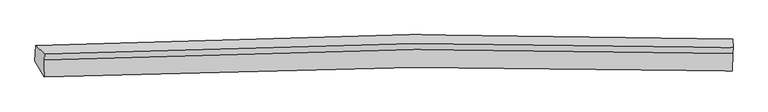
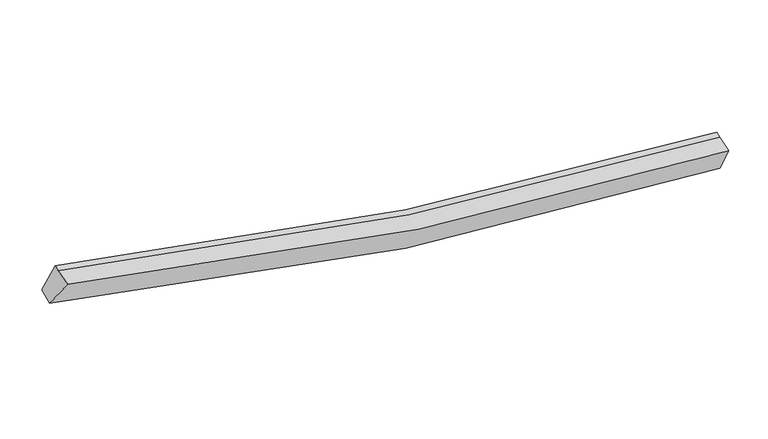
"""IFC4 building model written with IfcOpenShell, lengths in millimetres: proxy geometry."""

from ifc_helpers import new_model, si_unit, frame, origin, place, context, project, spatial, source, transform, mapped, element, save
from ifc_brep_helpers import plane_surface, spline_curve, spline_surface, advanced_brep


def generic_models_3d020308(model_context):
    return source(origin(), model_context, "Body", "AdvancedBrep", [
        advanced_brep(
        [(-7359.0596725, -2560.9349134, 4578.3803905), (-7564.8861505, -2204.8072985, 3963.2311542), (7971.8724652, -2061.2061194, 1731.0594416), (7973.4214321, -2419.734872, 2378.4038123), (-7352.1941389, -2176.073556, 4668.8547261), (7985.8868758, -2034.8076916, 2467.9955746), (-7347.7082024, -2041.5451114, 4707.3511412), (7990.3728122, -1900.2792471, 2506.4919898), (-7548.3157871, -1855.1790778, 4079.4583968), (7983.8339187, -1711.6320731, 1848.0130709)],
        [
            (0, 1),
            (1, 2, spline_curve(3, [(-7564.8861505, -2204.8072985, 3963.2311542), (-4808.630478459, -2074.099983348, 3200.033884221), (-2027.863352865, -2000.092065844, 2631.956766068), (3157.917253887, -1968.09589024, 1942.516146893), (5556.069667164, -1994.236748131, 1766.536027244), (7971.8724652, -2061.2061194, 1731.0594416)], [4, 2, 4], [0.0, 27.73678410937483, 51.27365182980036])),
            (2, 3),
            (3, 0, spline_curve(3, [(7973.4214321, -2419.734872, 2378.4038123), (5582.012481491, -2353.70560481, 2414.323074644), (3211.404617972, -2327.904644667, 2588.281260067), (-1907.50822827, -2359.333752482, 3267.948211952), (-4647.727399297, -2432.201393109, 3827.315552318), (-7359.0596725, -2560.9349134, 4578.3803905)], [4, 2, 4], [0.0, 23.536867720425526, 51.27365182980036])),
            (4, 0),
            (3, 5),
            (5, 4, spline_curve(3, [(7985.8868758, -2034.8076916, 2467.9955746), (5595.635385821, -1963.282378527, 2518.187307057), (3225.26031694, -1934.512923462, 2699.92826178), (-1895.159729716, -1964.981462808, 3382.412086308), (-4637.478331791, -2040.839539094, 3934.290847878), (-7352.1941389, -2176.073556, 4668.8547261)], [4, 2, 4], [0.0, 23.396323737569144, 50.967485209443396])),
            (6, 4),
            (5, 7),
            (7, 6, spline_curve(3, [(7990.3728122, -1900.2792471, 2506.4919898), (5600.220043271, -1825.793380142, 2557.530908714), (3229.898378542, -1795.422396285, 2739.730154402), (-1890.504051292, -1825.362653667, 3422.36515063), (-4632.876057798, -1902.822258798, 3973.785622155), (-7347.7082024, -2041.5451114, 4707.3511412)], [4, 2, 4], [0.0, 23.39819400716984, 50.971559479370605])),
            (8, 6),
            (7, 9),
            (9, 8, spline_curve(3, [(7983.8339187, -1711.6320731, 1848.0130709), (5568.976381118, -1632.841697023, 1886.888391252), (3171.659043965, -1600.302391192, 2064.656054479), (-2012.542428646, -1630.172648966, 2754.480847879), (-4792.608326999, -1710.560955372, 3320.528292794), (-7548.3157871, -1855.1790778, 4079.4583968)], [4, 2, 4], [0.0, 23.535707345266896, 51.27112402225255])),
            (1, 8),
            (9, 2),
        ],
        [
            spline_surface(3, 3, [[(-7359.0596725, -2560.9349134, 4578.3803905), (-4647.727399423, -2432.201393543, 3827.315552598), (-1907.508228131, -2359.333752873, 3267.948212142), (3211.404617854, -2327.904644335, 2588.281259906), (5582.012481456, -2353.705604527, 2414.323074305), (7973.4214321, -2419.734872, 2378.4038123)], [(-7427.668498516, -2442.225708433, 4373.330645088), (-4701.361759087, -2312.834256739, 3618.221663056), (-1947.62660307, -2239.586523802, 3055.951063434), (3193.575496544, -2207.968393019, 2373.026222287), (5573.364876654, -2233.882652396, 2198.394058695), (7972.905109783, -2300.225287785, 2162.622355412)], [(-7496.277324484, -2323.516503467, 4168.280899612), (-4754.996118704, -2193.467119935, 3409.12777345), (-1987.744977991, -2119.839294735, 2843.953914665), (3175.746375253, -2088.032141709, 2157.771184607), (5564.717271901, -2114.059700309, 1982.465043048), (7972.388787517, -2180.715703615, 1946.840898488)], [(-7564.8861505, -2204.8072985, 3963.2311542), (-4808.630478368, -2074.099983131, 3200.033883909), (-2027.863352931, -2000.092065664, 2631.956765956), (3157.917253943, -1968.095890393, 1942.516146988), (5556.069667099, -1994.236748178, 1766.536027438), (7971.8724652, -2061.2061194, 1731.0594416)]], [4, 4], [4, 2, 4], [0.0, 2.4273563891076884], [0.0, 27.73678410937483, 51.27365182980036]),
            spline_surface(3, 3, [[(-7352.1941389, -2176.073556, 4668.8547261), (-4637.47833191, -2040.839538704, 3934.290848151), (-1895.159729363, -1964.98146235, 3382.412085935), (3225.260316641, -1934.512923851, 2699.928262096), (5595.635385673, -1963.282378718, 2518.187307098), (7985.8868758, -2034.8076916, 2467.9955746)], [(-7354.482650085, -2304.360675131, 4638.69661424), (-4640.894687733, -2171.293490315, 3898.632416307), (-1899.275895627, -2096.432225863, 3344.257461314), (3220.641750371, -2065.643497351, 2662.712594675), (5591.094417608, -2093.42345398, 2483.565896144), (7981.731727907, -2163.116751726, 2438.131653811)], [(-7356.771161315, -2432.647794269, 4608.53850236), (-4644.3110436, -2301.747441933, 3862.973984442), (-1903.392061867, -2227.88298936, 3306.102836764), (3216.023184124, -2196.774070835, 2625.496927326), (5586.553449521, -2223.564529265, 2448.944485259), (7977.576579993, -2291.425811874, 2408.267733089)], [(-7359.0596725, -2560.9349134, 4578.3803905), (-4647.727399423, -2432.201393543, 3827.315552598), (-1907.508228131, -2359.333752873, 3267.948212142), (3211.404617854, -2327.904644335, 2588.281259906), (5582.012481456, -2353.705604527, 2414.323074305), (7973.4214321, -2419.734872, 2378.4038123)]], [4, 4], [4, 2, 4], [0.0, 1.3452088931987036], [0.0, 27.57116147187425, 50.967485209443396]),
            spline_surface(3, 3, [[(-7347.7082024, -2041.5451114, 4707.3511412), (-4632.876057993, -1902.822259203, 3973.785621904), (-1890.504051458, -1825.362653752, 3422.365150375), (3229.898378682, -1795.422396212, 2739.730154618), (5600.220043625, -1825.793380275, 2557.530909032), (7990.3728122, -1900.2792471, 2506.4919898)], [(-7349.203514552, -2086.387926254, 4694.519002823), (-4634.410149284, -1948.828019024, 3960.620697309), (-1892.055944084, -1871.902256607, 3409.047462228), (3228.352358011, -1841.785905414, 2726.46285711), (5598.691824289, -1871.623046443, 2544.416375077), (7988.877500048, -1945.122061954, 2493.659851423)], [(-7350.698826748, -2131.230741146, 4681.686864477), (-4635.944240619, -1994.833778883, 3947.455772746), (-1893.607836737, -1918.441859495, 3395.729774082), (3226.806337312, -1888.149414649, 2713.195559604), (5597.163605009, -1917.45271255, 2531.301841053), (7987.382187952, -1989.964876746, 2480.827712977)], [(-7352.1941389, -2176.073556, 4668.8547261), (-4637.47833191, -2040.839538704, 3934.290848151), (-1895.159729363, -1964.98146235, 3382.412085935), (3225.260316641, -1934.512923851, 2699.928262096), (5595.635385673, -1963.282378718, 2518.187307098), (7985.8868758, -2034.8076916, 2467.9955746)]], [4, 4], [4, 2, 4], [0.0, 0.47583259289187413], [0.0, 27.573365472200763, 50.971559479370605]),
            spline_surface(3, 3, [[(-7548.3157871, -1855.1790778, 4079.4583968), (-4792.608327182, -1710.560955607, 3320.5282931), (-2012.542428733, -1630.172648698, 2754.480847739), (3171.65904404, -1600.30239142, 2064.656054598), (5568.976380875, -1632.841696729, 1886.888391336), (7983.8339187, -1711.6320731, 1848.0130709)], [(-7481.446592224, -1917.301089014, 4288.755978273), (-4739.364237476, -1774.648056819, 3538.280736041), (-1971.862969625, -1695.235983734, 2977.108948624), (3191.072155603, -1665.342393035, 2289.680754611), (5579.390935138, -1697.158924552, 2110.435897236), (7986.013549879, -1774.514464407, 2067.506043868)], [(-7414.577397276, -1979.423100186, 4498.053559727), (-4686.120147699, -1838.73515799, 3756.033178963), (-1931.183510566, -1760.299318716, 3199.73704949), (3210.485267119, -1730.382394597, 2514.705454604), (5589.805489363, -1761.476152452, 2333.983403132), (7988.193181021, -1837.396855793, 2286.999016832)], [(-7347.7082024, -2041.5451114, 4707.3511412), (-4632.876057993, -1902.822259203, 3973.785621904), (-1890.504051458, -1825.362653752, 3422.365150375), (3229.898378682, -1795.422396212, 2739.730154618), (5600.220043625, -1825.793380275, 2557.530909032), (7990.3728122, -1900.2792471, 2506.4919898)]], [4, 4], [4, 2, 4], [0.0, 2.312977503972342], [0.0, 27.735416676985654, 51.27112402225255]),
            spline_surface(3, 3, [[(-7564.8861505, -2204.8072985, 3963.2311542), (-4808.630478368, -2074.099983131, 3200.033883909), (-2027.863352931, -2000.092065664, 2631.956765956), (3157.917253943, -1968.095890393, 1942.516146988), (5556.069667099, -1994.236748178, 1766.536027438), (7971.8724652, -2061.2061194, 1731.0594416)], [(-7559.362696023, -2088.264558268, 4001.973568376), (-4803.289761296, -1952.920307291, 3240.198686949), (-2022.756378209, -1876.785593332, 2672.798126547), (3162.49785063, -1845.498057392, 1983.229449522), (5560.37190504, -1873.771731056, 1806.653482057), (7975.859616382, -1944.681437328, 1770.043984686)], [(-7553.839241577, -1971.721818032, 4040.715982624), (-4797.949044255, -1831.740631446, 3280.36349006), (-2017.649403454, -1753.47912103, 2713.639487148), (3167.078447352, -1722.900224421, 2023.942752064), (5564.674142934, -1753.306713851, 1846.770936717), (7979.846767518, -1828.156755172, 1809.028527814)], [(-7548.3157871, -1855.1790778, 4079.4583968), (-4792.608327182, -1710.560955607, 3320.5282931), (-2012.542428733, -1630.172648698, 2754.480847739), (3171.65904404, -1600.30239142, 2064.656054598), (5568.976380875, -1632.841696729, 1886.888391336), (7983.8339187, -1711.6320731, 1848.0130709)]], [4, 4], [4, 2, 4], [0.0, 1.2760159621236276], [0.0, 27.91663118704507, 51.60611345933563]),
            plane_surface(frame((7981.0775008, -2025.5320006, 2186.3927778), z_axis=(0.9994409244788931, -0.028176961711005137, -0.017997147149262538), x_axis=(-0.0320424032611156, -0.960917461152701, -0.274974393798949))),
            plane_surface(frame((-7434.4327903, -2167.7079914, 4399.4551617), z_axis=(-0.9556189619979212, -0.051157308691189896, 0.2901298489254253), x_axis=(0.27814388925454936, -0.48125353364776924, 0.8312827516687018))),
        ],
        [
            (0, [[1, 2, 3, 4]]),
            (1, [[5, -4, 6, 7]]),
            (2, [[8, -7, 9, 10]]),
            (3, [[11, -10, 12, 13]]),
            (4, [[14, -13, 15, -2]]),
            (5, [[-9, -6, -3, -15, -12]]),
            (6, [[-1, -5, -8, -11, -14]]),
        ],
    ),
    ])


if __name__ == "__main__":
    model = new_model("IFC4")
    model_context = context("Model", 3, world=origin())
    ifc_project = project(units=[si_unit("LENGTHUNIT", "METRE", prefix="MILLI")], contexts=[model_context])
    site = spatial("IfcSite", under=ifc_project)
    building = spatial("IfcBuilding", under=site)
    placement = place(None, origin())
    generic_models_shape = generic_models_3d020308(model_context)
    element("IfcBuildingElementProxy", 1, Name="Generic Models", at=placement, inside=building, context=model_context, shape_type="MappedRepresentation", body=[
        mapped(generic_models_shape, transform((0.0, 0.0, 0.0), x_axis=(1.0, 0.0, 0.0), y_axis=(0.0, 1.0, 0.0), z_axis=(0.0, 0.0, 1.0))),
    ])
    save(model, "model.ifc")
